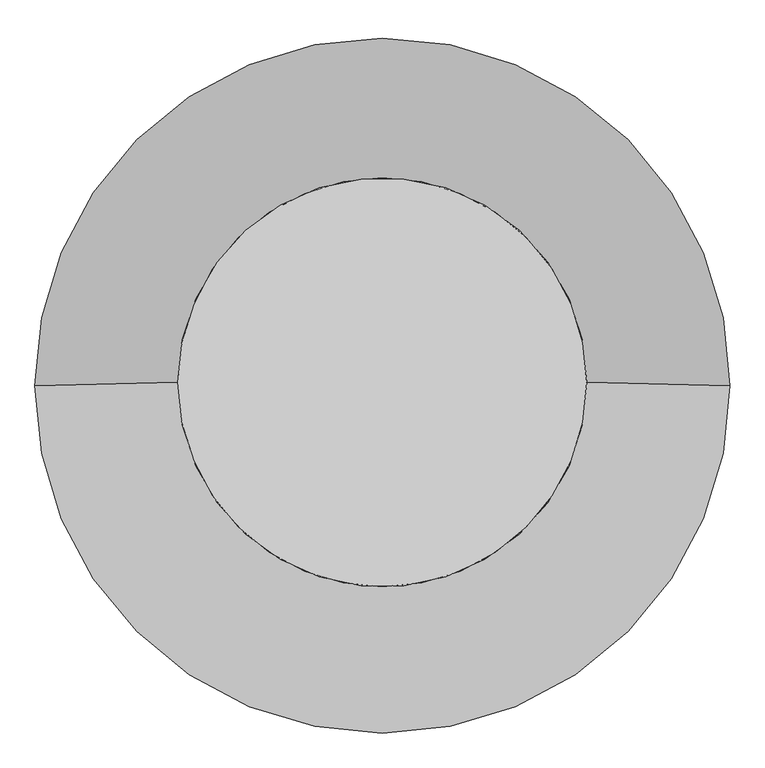
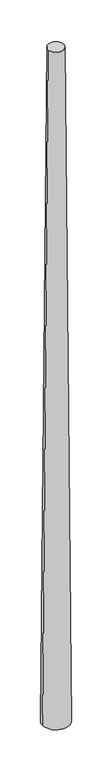
"""IFC4 building model written with IfcOpenShell, lengths in millimetres: proxy geometry."""

from ifc_helpers import new_model, si_unit, frame, origin, place, context, project, spatial, polyline, circle_curve, source, transform, mapped, element, save
from ifc_brep_helpers import plane_surface, revolved_surface, advanced_brep


def generic_models_02fada30(model_context):
    return source(origin(), model_context, "Body", "AdvancedBrep", [
        advanced_brep(
        [(-500.0, 0.0, 45000.0), (500.0, 0.0, 45000.0), (-850.0, 0.0, 0.0), (850.0, 0.0, 0.0)],
        [
            (0, 1, circle_curve(frame((0.0, 0.0, 45000.0), z_axis=(0.0, 0.0, 1.0), x_axis=(-1.0, 0.0, 0.0)), 500.0)),
            (1, 0, circle_curve(frame((0.0, 0.0, 45000.0), z_axis=(0.0, 0.0, 1.0), x_axis=(1.0, 0.0, 0.0)), 500.0)),
            (2, 3, circle_curve(frame((0.0, 0.0, 0.0), z_axis=(0.0, 0.0, -1.0), x_axis=(1.0, 0.0, 0.0)), 850.0)),
            (3, 2, circle_curve(frame((0.0, 0.0, 0.0), z_axis=(0.0, 0.0, -1.0), x_axis=(-1.0, 0.0, 0.0)), 850.0)),
            (3, 1),
            (0, 2),
        ],
        [
            plane_surface(frame((0.0, 0.0, 45000.0), z_axis=(0.0, 0.0, 1.0), x_axis=(0.0, -1.0, 0.0))),
            plane_surface(frame((0.0, 0.0, 0.0), z_axis=(0.0, 0.0, -1.0), x_axis=(0.0, -1.0, 0.0))),
            revolved_surface(polyline([(-499.99999999995424, 0.0, 45000.0), (-850.0, 0.0, 0.0)]), (0.0, 0.0, 109285.7142857), (0.0, 0.0, -1.0)),
            revolved_surface(polyline([(499.99999999995424, 0.0, 45000.0), (850.0, 0.0, 0.0)]), (0.0, 0.0, 109285.7142857), (0.0, 0.0, -1.0)),
        ],
        [
            (0, [[1, 2]]),
            (1, [[3, 4]]),
            (2, [[-4, 5, -1, 6]]),
            (3, [[-3, -6, -2, -5]]),
        ],
    ),
    ])


if __name__ == "__main__":
    model = new_model("IFC4")
    model_context = context("Model", 3, world=origin())
    ifc_project = project(units=[si_unit("LENGTHUNIT", "METRE", prefix="MILLI")], contexts=[model_context])
    site = spatial("IfcSite", under=ifc_project)
    building = spatial("IfcBuilding", under=site)
    placement = place(None, origin())
    generic_models_shape = generic_models_02fada30(model_context)
    element("IfcBuildingElementProxy", 1, Name="Generic Models", at=placement, inside=building, context=model_context, shape_type="MappedRepresentation", body=[
        mapped(generic_models_shape, transform((0.0, 0.0, 0.0), x_axis=(1.0, 0.0, 0.0), y_axis=(0.0, 1.0, 0.0), z_axis=(0.0, 0.0, 1.0))),
    ])
    save(model, "model.ifc")
